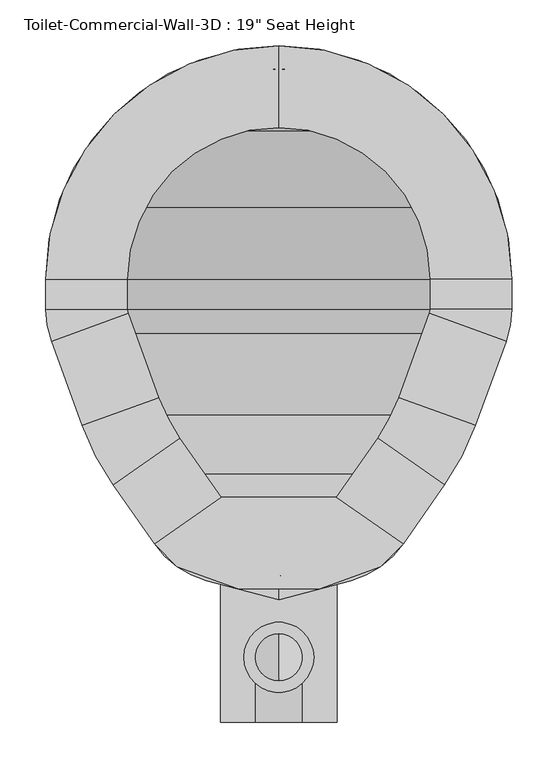
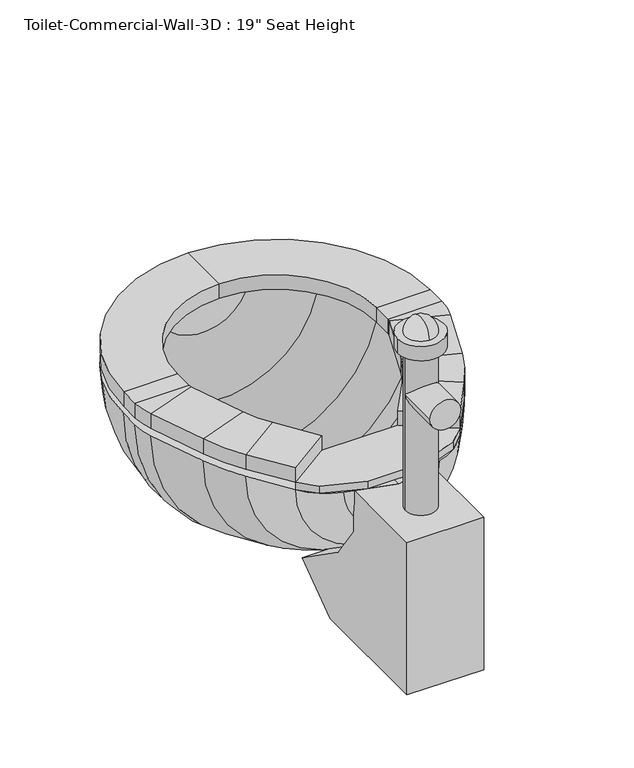
"""IFC4 building model written with IfcOpenShell, lengths in millimetres: flow terminal geometry."""

from ifc_helpers import new_model, si_unit, point, frame, frame_2d, origin, place, context, project, spatial, polyline, circle_curve, ellipse_curve, trimmed, segment, composite_curve, outline, extrude, source, transform, mapped, element, save
from ifc_brep_helpers import plane_surface, cylinder_surface, revolved_surface, advanced_brep


def flow_terminal_ce7e0ad2(model_context):
    return source(origin(), model_context, "Body", "SolidModel", [
        extrude(outline(polyline([(467.7541169, 397.4347495), (540.5767337, 346.4438043), (515.6262519, 321.4933226), (449.563909, 297.4485961), (360.2423986, 297.4485961), (294.1800557, 321.4933226), (269.229574, 346.4438043), (342.0521907, 397.4347495), (467.7541169, 397.4347495)])), frame((0.0, 0.0, 444.5), z_axis=(0.0, 0.0, 1.0), x_axis=(1.0, 0.0, 0.0)), (0.0, 0.0, 1.0), 12.7),
        advanced_brep(
        [(467.7541169, 397.4347495, 457.2), (540.5767337, 346.4438043, 457.2), (540.5767337, 346.4438043, 482.6), (467.7541169, 397.4347495, 482.6), (512.8583992, 461.8503403, 457.2), (585.6810159, 410.8593951, 457.2), (585.6810159, 410.8593951, 482.6), (512.8583992, 461.8503403, 482.6), (619.360053, 475.5562234, 457.2), (535.821379, 505.9618141, 457.2), (619.360053, 475.5562234, 482.6), (535.821379, 505.9618141, 482.6), (569.2372501, 597.7711654, 457.2), (652.7759241, 567.3655747, 457.2), (652.7759241, 567.3655747, 482.6), (569.2372501, 597.7711654, 482.6), (658.9031538, 602.1148212, 457.2), (570.0031538, 602.1148212, 457.2), (658.9031538, 602.1148212, 482.6), (570.0031538, 602.1148212, 482.6), (570.0031538, 635.0, 457.2), (658.9031538, 635.0, 457.2), (658.9031538, 635.0, 482.6), (570.0031538, 635.0, 482.6), (404.9031538, 889.0, 457.2), (404.9031538, 800.1, 457.2), (404.9031538, 889.0, 482.6), (404.9031538, 800.1, 482.6), (150.9031538, 635.0, 457.2), (239.8031538, 635.0, 457.2), (150.9031538, 635.0, 482.6), (239.8031538, 635.0, 482.6), (239.8031538, 602.1148212, 457.2), (150.9031538, 602.1148212, 457.2), (150.9031538, 602.1148212, 482.6), (239.8031538, 602.1148212, 482.6), (157.0303835, 567.3655747, 457.2), (240.5690575, 597.7711654, 457.2), (157.0303835, 567.3655747, 482.6), (240.5690575, 597.7711654, 482.6), (273.9849286, 505.9618141, 457.2), (190.4462546, 475.5562234, 457.2), (190.4462546, 475.5562234, 482.6), (273.9849286, 505.9618141, 482.6), (224.1252917, 410.8593951, 457.2), (296.9479084, 461.8503403, 457.2), (224.1252917, 410.8593951, 482.6), (296.9479084, 461.8503403, 482.6), (342.0521907, 397.4347495, 457.2), (342.0521907, 397.4347495, 482.6), (269.229574, 346.4438043, 482.6), (269.229574, 346.4438043, 457.2)],
        [
            (0, 1),
            (1, 2),
            (2, 3),
            (3, 0),
            (0, 4),
            (4, 5),
            (5, 1),
            (5, 6),
            (6, 2),
            (6, 7),
            (7, 3),
            (7, 4),
            (8, 5, circle_curve(frame((356.8099347, 571.1166514, 457.2), z_axis=(0.0, 0.0, -1.0), x_axis=(0.81915204428899, -0.5735764363510486, 0.0)), 279.4)),
            (4, 9, circle_curve(frame((356.8099347, 571.1166514, 457.2), z_axis=(0.0, 0.0, 1.0), x_axis=(0.81915204428899, -0.5735764363510486, 0.0)), 190.5)),
            (9, 8),
            (10, 6, circle_curve(frame((356.8099347, 571.1166514, 482.6), z_axis=(0.0, 0.0, -1.0), x_axis=(0.81915204428899, -0.5735764363510486, 0.0)), 279.4)),
            (8, 10),
            (11, 7, circle_curve(frame((356.8099347, 571.1166514, 482.6), z_axis=(0.0, 0.0, -1.0), x_axis=(0.81915204428899, -0.5735764363510486, 0.0)), 190.5)),
            (10, 11),
            (11, 9),
            (9, 12),
            (12, 13),
            (13, 8),
            (13, 14),
            (14, 10),
            (14, 15),
            (15, 11),
            (15, 12),
            (16, 13, circle_curve(frame((557.3031538, 602.1148212, 457.2), z_axis=(0.0, 0.0, -1.0), x_axis=(0.9396926207859057, -0.3420201433256761, 0.0)), 101.6)),
            (12, 17, circle_curve(frame((557.3031538, 602.1148212, 457.2), z_axis=(0.0, 0.0, 1.0), x_axis=(0.9396926207859057, -0.3420201433256761, 0.0)), 12.7)),
            (17, 16),
            (18, 14, circle_curve(frame((557.3031538, 602.1148212, 482.6), z_axis=(0.0, 0.0, -1.0), x_axis=(0.9396926207859057, -0.3420201433256761, 0.0)), 101.6)),
            (16, 18),
            (19, 15, circle_curve(frame((557.3031538, 602.1148212, 482.6), z_axis=(0.0, 0.0, -1.0), x_axis=(0.9396926207859057, -0.3420201433256761, 0.0)), 12.7)),
            (18, 19),
            (19, 17),
            (17, 20),
            (20, 21),
            (21, 16),
            (21, 22),
            (22, 18),
            (22, 23),
            (23, 19),
            (23, 20),
            (24, 21, circle_curve(frame((404.9031538, 635.0, 457.2), z_axis=(0.0, 0.0, -1.0), x_axis=(1.0, 0.0, 0.0)), 254.0)),
            (20, 25, circle_curve(frame((404.9031538, 635.0, 457.2), z_axis=(0.0, 0.0, 1.0), x_axis=(1.0, 0.0, 0.0)), 165.1)),
            (25, 24),
            (26, 22, circle_curve(frame((404.9031538, 635.0, 482.6), z_axis=(0.0, 0.0, -1.0), x_axis=(1.0, 0.0, 0.0)), 254.0)),
            (24, 26),
            (27, 23, circle_curve(frame((404.9031538, 635.0, 482.6), z_axis=(0.0, 0.0, -1.0), x_axis=(1.0, 0.0, 0.0)), 165.1)),
            (26, 27),
            (27, 25),
            (28, 24, circle_curve(frame((404.9031538, 635.0, 457.2), z_axis=(0.0, 0.0, -1.0), x_axis=(0.0, 1.0, 0.0)), 254.0)),
            (25, 29, circle_curve(frame((404.9031538, 635.0, 457.2), z_axis=(0.0, 0.0, 1.0), x_axis=(0.0, 1.0, 0.0)), 165.1)),
            (29, 28),
            (30, 26, circle_curve(frame((404.9031538, 635.0, 482.6), z_axis=(0.0, 0.0, -1.0), x_axis=(0.0, 1.0, 0.0)), 254.0)),
            (28, 30),
            (31, 27, circle_curve(frame((404.9031538, 635.0, 482.6), z_axis=(0.0, 0.0, -1.0), x_axis=(0.0, 1.0, 0.0)), 165.1)),
            (30, 31),
            (31, 29),
            (29, 32),
            (32, 33),
            (33, 28),
            (33, 34),
            (34, 30),
            (34, 35),
            (35, 31),
            (35, 32),
            (36, 33, circle_curve(frame((252.5031538, 602.1148212, 457.2), z_axis=(0.0, 0.0, -1.0), x_axis=(-1.0, 0.0, 0.0)), 101.6)),
            (32, 37, circle_curve(frame((252.5031538, 602.1148212, 457.2), z_axis=(0.0, 0.0, 1.0), x_axis=(-1.0, 0.0, 0.0)), 12.7)),
            (37, 36),
            (38, 34, circle_curve(frame((252.5031538, 602.1148212, 482.6), z_axis=(0.0, 0.0, -1.0), x_axis=(-1.0, 0.0, 0.0)), 101.6)),
            (36, 38),
            (39, 35, circle_curve(frame((252.5031538, 602.1148212, 482.6), z_axis=(0.0, 0.0, -1.0), x_axis=(-1.0, 0.0, 0.0)), 12.7)),
            (38, 39),
            (39, 37),
            (37, 40),
            (40, 41),
            (41, 36),
            (41, 42),
            (42, 38),
            (42, 43),
            (43, 39),
            (43, 40),
            (44, 41, circle_curve(frame((452.9963729, 571.1166514, 457.2), z_axis=(0.0, 0.0, -1.0), x_axis=(-0.939692620785909, -0.3420201433256672, 0.0)), 279.4)),
            (40, 45, circle_curve(frame((452.9963729, 571.1166514, 457.2), z_axis=(0.0, 0.0, 1.0), x_axis=(-0.939692620785909, -0.3420201433256672, 0.0)), 190.5)),
            (45, 44),
            (46, 42, circle_curve(frame((452.9963729, 571.1166514, 482.6), z_axis=(0.0, 0.0, -1.0), x_axis=(-0.939692620785909, -0.3420201433256672, 0.0)), 279.4)),
            (44, 46),
            (47, 43, circle_curve(frame((452.9963729, 571.1166514, 482.6), z_axis=(0.0, 0.0, -1.0), x_axis=(-0.939692620785909, -0.3420201433256672, 0.0)), 190.5)),
            (46, 47),
            (47, 45),
            (48, 49),
            (49, 50),
            (50, 51),
            (51, 48),
            (45, 48),
            (51, 44),
            (50, 46),
            (49, 47),
        ],
        [
            plane_surface(frame((540.5767337, 346.4438043, 541.2203184), z_axis=(-0.5735764363510388, -0.8191520442889969, 0.0), x_axis=(0.8191520442889969, -0.5735764363510388, 0.0))),
            plane_surface(frame((467.7541169, 397.4347495, 457.2), z_axis=(0.0, 0.0, -1.0000000000000002), x_axis=(0.5735764363510389, 0.8191520442889969, 0.0))),
            plane_surface(frame((540.5767337, 346.4438043, 457.2), z_axis=(0.8191520442889969, -0.5735764363510389, 0.0), x_axis=(0.5735764363510389, 0.8191520442889969, 0.0))),
            plane_surface(frame((540.5767337, 346.4438043, 482.6), z_axis=(0.0, 0.0, 1.0000000000000002), x_axis=(0.5735764363510389, 0.8191520442889969, 0.0))),
            plane_surface(frame((467.7541169, 397.4347495, 482.6), z_axis=(-0.8191520442889969, 0.5735764363510389, 0.0), x_axis=(0.5735764363510389, 0.8191520442889969, 0.0))),
            plane_surface(frame((356.8099347, 571.1166514, 457.2), z_axis=(0.0, 0.0, -1.0), x_axis=(0.81915204428899, -0.5735764363510486, 0.0))),
            cylinder_surface(frame((356.8099347, 571.1166514, 444.5), z_axis=(0.0, 0.0, 1.0), x_axis=(0.81915204428899, -0.5735764363510486, 0.0)), 279.4),
            plane_surface(frame((356.8099347, 571.1166514, 482.6), z_axis=(0.0, 0.0, 1.0), x_axis=(0.81915204428899, -0.5735764363510486, 0.0))),
            revolved_surface(polyline([(512.8583991370526, 461.8503402751253, 482.6), (512.8583991370526, 461.8503402751253, 457.2)]), (356.8099347, 571.1166514, 444.5), (0.0, 0.0, 1.0)),
            plane_surface(frame((535.821379, 505.9618141, 457.2), z_axis=(0.0, 0.0, -1.0), x_axis=(0.34202014332566444, 0.93969262078591, 0.0))),
            plane_surface(frame((619.360053, 475.5562234, 457.2), z_axis=(0.93969262078591, -0.34202014332566427, 0.0), x_axis=(0.34202014332566427, 0.93969262078591, 0.0))),
            plane_surface(frame((619.360053, 475.5562234, 482.6), z_axis=(0.0, 0.0, 1.0), x_axis=(0.34202014332566283, 0.9396926207859105, 0.0))),
            plane_surface(frame((535.821379, 505.9618141, 482.6), z_axis=(-0.93969262078591, 0.34202014332566444, 0.0), x_axis=(0.34202014332566444, 0.93969262078591, 0.0))),
            plane_surface(frame((557.3031538, 602.1148212, 457.2), z_axis=(0.0, 0.0, -1.0000000000000002), x_axis=(0.9396926207859058, -0.34202014332567615, 0.0))),
            cylinder_surface(frame((557.3031538, 602.1148212, 444.5), z_axis=(0.0, 0.0, 1.0), x_axis=(0.9396926207859057, -0.3420201433256761, 0.0)), 101.6),
            plane_surface(frame((557.3031538, 602.1148212, 482.6), z_axis=(0.0, 0.0, 1.0000000000000002), x_axis=(0.9396926207859058, -0.34202014332567615, 0.0))),
            revolved_surface(polyline([(569.237250083981, 597.7711653797639, 482.6), (569.237250083981, 597.7711653797639, 457.2)]), (557.3031538, 602.1148212, 444.5), (0.0, 0.0, 1.0)),
            plane_surface(frame((570.0031538, 602.1148212, 457.2), z_axis=(0.0, 0.0, -1.0), x_axis=(0.0, 1.0, 0.0))),
            plane_surface(frame((658.9031538, 602.1148212, 457.2), z_axis=(1.0, 0.0, 0.0), x_axis=(0.0, 1.0, 0.0))),
            plane_surface(frame((658.9031538, 602.1148212, 482.6), z_axis=(0.0, 0.0, 1.0), x_axis=(0.0, 1.0, 0.0))),
            plane_surface(frame((570.0031538, 602.1148212, 482.6), z_axis=(-1.0, 0.0, 0.0), x_axis=(0.0, 1.0, 0.0))),
            plane_surface(frame((404.9031538, 635.0, 457.2), z_axis=(0.0, 0.0, -1.0), x_axis=(1.0, 0.0, 0.0))),
            cylinder_surface(frame((404.9031538, 635.0, 444.5), z_axis=(0.0, 0.0, 1.0), x_axis=(1.0, 0.0, 0.0)), 254.0),
            plane_surface(frame((404.9031538, 635.0, 482.6), z_axis=(0.0, 0.0, 1.0), x_axis=(1.0, 0.0, 0.0))),
            revolved_surface(polyline([(570.0031538, 635.0, 482.6), (570.0031538, 635.0, 457.2)]), (404.9031538, 635.0, 444.5), (0.0, 0.0, 1.0)),
            plane_surface(frame((404.9031538, 635.0, 457.2), z_axis=(0.0, 0.0, -1.0), x_axis=(0.0, 1.0, 0.0))),
            cylinder_surface(frame((404.9031538, 635.0, 444.5), z_axis=(0.0, 0.0, 1.0), x_axis=(0.0, 1.0, 0.0)), 254.0),
            plane_surface(frame((404.9031538, 635.0, 482.6), z_axis=(0.0, 0.0, 1.0), x_axis=(0.0, 1.0, 0.0))),
            revolved_surface(polyline([(404.9031538, 800.1, 482.6), (404.9031538, 800.1, 457.2)]), (404.9031538, 635.0, 444.5), (0.0, 0.0, 1.0)),
            plane_surface(frame((239.8031538, 635.0, 457.2), z_axis=(0.0, 0.0, -1.0), x_axis=(0.0, -1.0, 0.0))),
            plane_surface(frame((150.9031538, 635.0, 457.2), z_axis=(-1.0, 0.0, 0.0), x_axis=(0.0, -1.0, 0.0))),
            plane_surface(frame((150.9031538, 635.0, 482.6), z_axis=(0.0, 0.0, 1.0), x_axis=(0.0, -1.0, 0.0))),
            plane_surface(frame((239.8031538, 635.0, 482.6), z_axis=(1.0, 0.0, 0.0), x_axis=(0.0, -1.0, 0.0))),
            plane_surface(frame((252.5031538, 602.1148212, 457.2), z_axis=(0.0, 0.0, -1.0), x_axis=(-1.0, 0.0, 0.0))),
            cylinder_surface(frame((252.5031538, 602.1148212, 444.5), z_axis=(0.0, 0.0, 1.0), x_axis=(-1.0, 0.0, 0.0)), 101.6),
            plane_surface(frame((252.5031538, 602.1148212, 482.6), z_axis=(0.0, 0.0, 1.0), x_axis=(-1.0, 0.0, 0.0))),
            revolved_surface(polyline([(239.80315380000002, 602.1148212, 482.6), (239.80315380000002, 602.1148212, 457.2)]), (252.5031538, 602.1148212, 444.5), (0.0, 0.0, 1.0)),
            plane_surface(frame((240.5690575, 597.7711654, 457.2), z_axis=(0.0, 0.0, -1.0000000000000002), x_axis=(0.34202014332565506, -0.9396926207859134, 0.0))),
            plane_surface(frame((157.0303835, 567.3655747, 457.2), z_axis=(-0.9396926207859133, -0.3420201433256552, 0.0), x_axis=(0.3420201433256552, -0.9396926207859133, 0.0))),
            plane_surface(frame((157.0303835, 567.3655747, 482.6), z_axis=(0.0, 0.0, 1.0), x_axis=(0.3420201433256552, -0.9396926207859133, 0.0))),
            plane_surface(frame((240.5690575, 597.7711654, 482.6), z_axis=(0.9396926207859133, 0.34202014332565533, 0.0), x_axis=(0.34202014332565533, -0.9396926207859133, 0.0))),
            plane_surface(frame((452.9963729, 571.1166514, 457.2), z_axis=(0.0, 0.0, -1.0), x_axis=(-0.939692620785909, -0.3420201433256672, 0.0))),
            cylinder_surface(frame((452.9963729, 571.1166514, 444.5), z_axis=(0.0, 0.0, 1.0), x_axis=(-0.939692620785909, -0.3420201433256672, 0.0)), 279.4),
            plane_surface(frame((452.9963729, 571.1166514, 482.6), z_axis=(0.0, 0.0, 1.0), x_axis=(-0.939692620785909, -0.3420201433256672, 0.0))),
            revolved_surface(polyline([(273.98492864028435, 505.96181409646044, 482.6), (273.98492864028435, 505.96181409646044, 457.2)]), (452.9963729, 571.1166514, 444.5), (0.0, 0.0, 1.0)),
            plane_surface(frame((269.229574, 346.4438043, 347.7796816), z_axis=(0.5735764363510503, -0.8191520442889889, 0.0), x_axis=(0.8191520442889889, 0.5735764363510503, 0.0))),
            plane_surface(frame((296.9479084, 461.8503403, 457.2), z_axis=(0.0, 0.0, -1.0000000000000002), x_axis=(0.5735764363510504, -0.8191520442889889, 0.0))),
            plane_surface(frame((224.1252917, 410.8593951, 457.2), z_axis=(-0.819152044288989, -0.57357643635105, 0.0), x_axis=(0.57357643635105, -0.819152044288989, 0.0))),
            plane_surface(frame((224.1252917, 410.8593951, 482.6), z_axis=(0.0, 0.0, 1.0), x_axis=(0.57357643635105, -0.819152044288989, 0.0))),
            plane_surface(frame((296.9479084, 461.8503403, 482.6), z_axis=(0.8191520442889891, 0.57357643635105, 0.0), x_axis=(0.57357643635105, -0.8191520442889891, 0.0))),
        ],
        [
            (0, [[1, 2, 3, 4]]),
            (1, [[-1, 5, 6, 7]]),
            (2, [[-2, -7, 8, 9]]),
            (3, [[-3, -9, 10, 11]]),
            (4, [[-4, -11, 12, -5]]),
            (5, [[13, -6, 14, 15]]),
            (6, [[16, -8, -13, 17]]),
            (7, [[18, -10, -16, 19]]),
            (8, [[-14, -12, -18, 20]]),
            (9, [[-15, 21, 22, 23]]),
            (10, [[-17, -23, 24, 25]]),
            (11, [[-19, -25, 26, 27]]),
            (12, [[-20, -27, 28, -21]]),
            (13, [[29, -22, 30, 31]]),
            (14, [[32, -24, -29, 33]]),
            (15, [[34, -26, -32, 35]]),
            (16, [[-30, -28, -34, 36]]),
            (17, [[-31, 37, 38, 39]]),
            (18, [[-33, -39, 40, 41]]),
            (19, [[-35, -41, 42, 43]]),
            (20, [[-36, -43, 44, -37]]),
            (21, [[45, -38, 46, 47]]),
            (22, [[48, -40, -45, 49]]),
            (23, [[50, -42, -48, 51]]),
            (24, [[-46, -44, -50, 52]]),
            (25, [[53, -47, 54, 55]]),
            (26, [[56, -49, -53, 57]]),
            (27, [[58, -51, -56, 59]]),
            (28, [[-54, -52, -58, 60]]),
            (29, [[-55, 61, 62, 63]]),
            (30, [[-57, -63, 64, 65]]),
            (31, [[-59, -65, 66, 67]]),
            (32, [[-60, -67, 68, -61]]),
            (33, [[69, -62, 70, 71]]),
            (34, [[72, -64, -69, 73]]),
            (35, [[74, -66, -72, 75]]),
            (36, [[-70, -68, -74, 76]]),
            (37, [[-71, 77, 78, 79]]),
            (38, [[-73, -79, 80, 81]]),
            (39, [[-75, -81, 82, 83]]),
            (40, [[-76, -83, 84, -77]]),
            (41, [[85, -78, 86, 87]]),
            (42, [[88, -80, -85, 89]]),
            (43, [[90, -82, -88, 91]]),
            (44, [[-86, -84, -90, 92]]),
            (45, [[93, 94, 95, 96]]),
            (46, [[-87, 97, -96, 98]]),
            (47, [[-89, -98, -95, 99]]),
            (48, [[-91, -99, -94, 100]]),
            (49, [[-92, -100, -93, -97]]),
        ],
    ),
        advanced_brep(
        [(491.7762702, 873.6819257, 444.5), (404.9031538, 889.0, 444.5), (404.9031538, 863.6, 444.5), (483.0889586, 849.8137331, 444.5), (566.547764, 796.6446102, 444.5), (619.7168869, 713.1858048, 444.5), (633.5031538, 635.0, 444.5), (633.5031538, 602.1148212, 444.5), (628.9077315, 576.0528863, 444.5), (596.6355667, 487.3858422, 444.5), (562.9565296, 422.6890139, 444.5), (525.0728964, 368.5855786, 444.5), (468.1430637, 328.7228806, 444.5), (404.9031538, 311.7777978, 444.5), (404.9031538, 285.4817829, 444.5), (483.6469009, 306.5811063, 444.5), (540.5767337, 346.4438043, 444.5), (585.6810159, 410.8593951, 444.5), (619.360053, 475.5562234, 444.5), (652.7759241, 567.3655747, 444.5), (658.9031538, 602.1148212, 444.5), (658.9031538, 635.0, 444.5), (643.5850795, 721.8731164, 444.5), (584.5082762, 814.6051224, 444.5), (318.0300374, 873.6819257, 444.5), (225.2980314, 814.6051224, 444.5), (166.2212281, 721.8731164, 444.5), (150.9031538, 635.0, 444.5), (150.9031538, 602.1148212, 444.5), (157.0303835, 567.3655747, 444.5), (190.4462546, 475.5562234, 444.5), (224.1252917, 410.8593951, 444.5), (269.229574, 346.4438043, 444.5), (326.1594067, 306.5811063, 444.5), (341.663244, 328.7228806, 444.5), (284.7334112, 368.5855786, 444.5), (246.849778, 422.6890139, 444.5), (213.1707409, 487.3858422, 444.5), (180.8985761, 576.0528863, 444.5), (176.3031538, 602.1148212, 444.5), (176.3031538, 635.0, 444.5), (190.0894207, 713.1858048, 444.5), (243.2585436, 796.6446102, 444.5), (326.7173491, 849.8137331, 444.5)],
        [
            (0, 1, circle_curve(frame((404.9031538, 635.0, 444.5), z_axis=(0.0, 0.0, 1.0), x_axis=(1.0, 0.0, 0.0)), 254.0)),
            (1, 2),
            (2, 3, circle_curve(frame((404.9031538, 635.0, 444.5), z_axis=(0.0, 0.0, -1.0), x_axis=(1.0, 0.0, 0.0)), 228.6)),
            (3, 4, circle_curve(frame((404.9031538, 635.0, 444.5), z_axis=(0.0, 0.0, -1.0), x_axis=(1.0, 0.0, 0.0)), 228.6)),
            (4, 5, circle_curve(frame((404.9031538, 635.0, 444.5), z_axis=(0.0, 0.0, -1.0), x_axis=(1.0, 0.0, 0.0)), 228.6)),
            (5, 6, circle_curve(frame((404.9031538, 635.0, 444.5), z_axis=(0.0, 0.0, -1.0), x_axis=(1.0, 0.0, 0.0)), 228.6)),
            (6, 7),
            (7, 8, circle_curve(frame((557.3031538, 602.1148212, 444.5), z_axis=(0.0, 0.0, -1.0), x_axis=(1.0, 0.0, 0.0)), 76.2)),
            (8, 9),
            (9, 10, circle_curve(frame((334.0854485, 582.9462703, 444.5), z_axis=(0.0, 0.0, -1.0), x_axis=(1.0, 0.0, 0.0)), 279.4)),
            (10, 11),
            (11, 12, circle_curve(frame((441.8470487, 426.8609446, 444.5), z_axis=(0.0, 0.0, -1.0), x_axis=(1.0, 0.0, 0.0)), 101.6)),
            (12, 13),
            (13, 14),
            (14, 15),
            (15, 16, circle_curve(frame((457.350886, 404.7191703, 444.5), z_axis=(0.0, 0.0, 1.0), x_axis=(1.0, 0.0, 0.0)), 101.6)),
            (16, 17),
            (17, 18, circle_curve(frame((356.8099347, 571.1166514, 444.5), z_axis=(0.0, 0.0, 1.0), x_axis=(1.0, 0.0, 0.0)), 279.4)),
            (18, 19),
            (19, 20, circle_curve(frame((557.3031538, 602.1148212, 444.5), z_axis=(0.0, 0.0, 1.0), x_axis=(1.0, 0.0, 0.0)), 101.6)),
            (20, 21),
            (21, 22, circle_curve(frame((404.9031538, 635.0, 444.5), z_axis=(0.0, 0.0, 1.0), x_axis=(1.0, 0.0, 0.0)), 254.0)),
            (22, 23, circle_curve(frame((404.9031538, 635.0, 444.5), z_axis=(0.0, 0.0, 1.0), x_axis=(1.0, 0.0, 0.0)), 254.0)),
            (23, 0, circle_curve(frame((404.9031538, 635.0, 444.5), z_axis=(0.0, 0.0, 1.0), x_axis=(1.0, 0.0, 0.0)), 254.0)),
            (24, 25, circle_curve(frame((404.9031538, 635.0, 444.5), z_axis=(0.0, 0.0, 1.0), x_axis=(-1.0, 0.0, 0.0)), 254.0)),
            (25, 26, circle_curve(frame((404.9031538, 635.0, 444.5), z_axis=(0.0, 0.0, 1.0), x_axis=(-1.0, 0.0, 0.0)), 254.0)),
            (26, 27, circle_curve(frame((404.9031538, 635.0, 444.5), z_axis=(0.0, 0.0, 1.0), x_axis=(-1.0, 0.0, 0.0)), 254.0)),
            (27, 28),
            (28, 29, circle_curve(frame((252.5031538, 602.1148212, 444.5), z_axis=(0.0, 0.0, 1.0), x_axis=(-1.0, 0.0, 0.0)), 101.6)),
            (29, 30),
            (30, 31, circle_curve(frame((452.9963729, 571.1166514, 444.5), z_axis=(0.0, 0.0, 1.0), x_axis=(-1.0, 0.0, 0.0)), 279.4)),
            (31, 32),
            (32, 33, circle_curve(frame((352.4554217, 404.7191703, 444.5), z_axis=(0.0, 0.0, 1.0), x_axis=(-1.0, 0.0, 0.0)), 101.6)),
            (33, 14),
            (13, 34),
            (34, 35, circle_curve(frame((367.9592589, 426.8609446, 444.5), z_axis=(0.0, 0.0, -1.0), x_axis=(-1.0, 0.0, 0.0)), 101.6)),
            (35, 36),
            (36, 37, circle_curve(frame((475.7208592, 582.9462703, 444.5), z_axis=(0.0, 0.0, -1.0), x_axis=(-1.0, 0.0, 0.0)), 279.4)),
            (37, 38),
            (38, 39, circle_curve(frame((252.5031538, 602.1148212, 444.5), z_axis=(0.0, 0.0, -1.0), x_axis=(-1.0, 0.0, 0.0)), 76.2)),
            (39, 40),
            (40, 41, circle_curve(frame((404.9031538, 635.0, 444.5), z_axis=(0.0, 0.0, -1.0), x_axis=(-1.0, 0.0, 0.0)), 228.6)),
            (41, 42, circle_curve(frame((404.9031538, 635.0, 444.5), z_axis=(0.0, 0.0, -1.0), x_axis=(-1.0, 0.0, 0.0)), 228.6)),
            (42, 43, circle_curve(frame((404.9031538, 635.0, 444.5), z_axis=(0.0, 0.0, -1.0), x_axis=(-1.0, 0.0, 0.0)), 228.6)),
            (43, 2, circle_curve(frame((404.9031538, 635.0, 444.5), z_axis=(0.0, 0.0, -1.0), x_axis=(-1.0, 0.0, 0.0)), 228.6)),
            (1, 24, circle_curve(frame((404.9031538, 635.0, 444.5), z_axis=(0.0, 0.0, 1.0), x_axis=(-1.0, 0.0, 0.0)), 254.0)),
            (0, 24, circle_curve(frame((404.9031538, 873.6819257, 444.5), z_axis=(0.0, 1.0, 0.0), x_axis=(1.0, 0.0, 0.0)), 86.8731164)),
            (43, 3, circle_curve(frame((404.9031538, 849.8137331, 444.5), z_axis=(0.0, -1.0, 0.0), x_axis=(1.0, 0.0, 0.0)), 78.1858048)),
            (42, 4, circle_curve(frame((404.9031538, 796.6446102, 444.5), z_axis=(0.0, -1.0, 0.0), x_axis=(1.0, 0.0, 0.0)), 161.6446102)),
            (41, 5, circle_curve(frame((404.9031538, 713.1858048, 444.5), z_axis=(0.0, -1.0, 0.0), x_axis=(1.0, 0.0, 0.0)), 214.8137331)),
            (40, 6, circle_curve(frame((404.9031538, 635.0, 444.5), z_axis=(0.0, -1.0, 0.0), x_axis=(1.0, 0.0, 0.0)), 228.6)),
            (39, 7, circle_curve(frame((404.9031538, 602.1148212, 444.5), z_axis=(0.0, -1.0, 0.0), x_axis=(1.0, 0.0, 0.0)), 228.6)),
            (38, 8, circle_curve(frame((404.9031538, 576.0528863, 444.5), z_axis=(0.0, -1.0, 0.0), x_axis=(1.0, 0.0, 0.0)), 224.0045777)),
            (37, 9, circle_curve(frame((404.9031538, 487.3858422, 444.5), z_axis=(0.0, -1.0, 0.0), x_axis=(1.0, 0.0, 0.0)), 191.7324129)),
            (36, 10, circle_curve(frame((404.9031538, 422.6890139, 444.5), z_axis=(0.0, -1.0, 0.0), x_axis=(1.0, 0.0, 0.0)), 158.0533758)),
            (35, 11, circle_curve(frame((404.9031538, 368.5855786, 444.5), z_axis=(0.0, -1.0, 0.0), x_axis=(1.0, 0.0, 0.0)), 120.1697426)),
            (34, 12, circle_curve(frame((404.9031538, 328.7228806, 444.5), z_axis=(0.0, -1.0, 0.0), x_axis=(1.0, 0.0, 0.0)), 63.2399099)),
            (33, 15, circle_curve(frame((404.9031538, 306.5811063, 444.5), z_axis=(0.0, -1.0, 0.0), x_axis=(1.0, 0.0, 0.0)), 78.7437471)),
            (32, 16, circle_curve(frame((404.9031538, 346.4438043, 444.5), z_axis=(0.0, -1.0, 0.0), x_axis=(1.0, 0.0, 0.0)), 135.6735798)),
            (31, 17, circle_curve(frame((404.9031538, 410.8593951, 444.5), z_axis=(0.0, -1.0, 0.0), x_axis=(1.0, 0.0, 0.0)), 180.7778621)),
            (30, 18, circle_curve(frame((404.9031538, 475.5562234, 444.5), z_axis=(0.0, -1.0, 0.0), x_axis=(1.0, 0.0, 0.0)), 214.4568992)),
            (29, 19, circle_curve(frame((404.9031538, 567.3655747, 444.5), z_axis=(0.0, -1.0, 0.0), x_axis=(1.0, 0.0, 0.0)), 247.8727703)),
            (28, 20, circle_curve(frame((404.9031538, 602.1148212, 444.5), z_axis=(0.0, -1.0, 0.0), x_axis=(1.0, 0.0, 0.0)), 254.0)),
            (27, 21, circle_curve(frame((404.9031538, 635.0, 444.5), z_axis=(0.0, -1.0, 0.0), x_axis=(1.0, 0.0, 0.0)), 254.0)),
            (26, 22, circle_curve(frame((404.9031538, 721.8731164, 444.5), z_axis=(0.0, -1.0, 0.0), x_axis=(1.0, 0.0, 0.0)), 238.6819257)),
            (25, 23, circle_curve(frame((404.9031538, 814.6051224, 444.5), z_axis=(0.0, -1.0, 0.0), x_axis=(1.0, 0.0, 0.0)), 179.6051224)),
        ],
        [
            plane_surface(frame((404.9031538, 994.2102448, 444.5), z_axis=(0.0, 0.0, 1.0), x_axis=(1.0, 0.0, 0.0))),
            plane_surface(frame((404.9031538, 994.2102448, 444.5), z_axis=(0.0, 0.0, 1.0), x_axis=(-1.0, 0.0, 0.0))),
            revolved_surface(trimmed(ellipse_curve(frame((404.9031538, 635.0, 444.5), z_axis=(0.0, 0.0, 1.0), x_axis=(1.0, 0.0, 0.0)), 254.0, 254.0), [point((491.7762702, 873.6819257, 444.5))], [point((404.9031538, 889.0, 444.5))], True, "CARTESIAN"), (404.9031538, 994.2102448, 444.5), (0.0, 1.0, 0.0)),
            revolved_surface(trimmed(ellipse_curve(frame((404.9031538, 635.0, 444.5), z_axis=(0.0, 0.0, -1.0), x_axis=(1.0, 0.0, 0.0)), 228.6, 228.6), [point((404.9031538, 863.6, 444.5))], [point((483.0889586, 849.8137331, 444.5))], True, "CARTESIAN"), (404.9031538, 994.2102448, 444.5), (0.0, 1.0, 0.0)),
            revolved_surface(trimmed(ellipse_curve(frame((404.9031538, 635.0, 444.5), z_axis=(0.0, 0.0, -1.0), x_axis=(1.0, 0.0, 0.0)), 228.6, 228.6), [point((483.0889586, 849.8137331, 444.5))], [point((566.547764, 796.6446102, 444.5))], True, "CARTESIAN"), (404.9031538, 994.2102448, 444.5), (0.0, 1.0, 0.0)),
            revolved_surface(trimmed(ellipse_curve(frame((404.9031538, 635.0, 444.5), z_axis=(0.0, 0.0, -1.0), x_axis=(1.0, 0.0, 0.0)), 228.6, 228.6), [point((566.547764, 796.6446102, 444.5))], [point((619.7168869, 713.1858048, 444.5))], True, "CARTESIAN"), (404.9031538, 994.2102448, 444.5), (0.0, 1.0, 0.0)),
            revolved_surface(trimmed(ellipse_curve(frame((404.9031538, 635.0, 444.5), z_axis=(0.0, 0.0, -1.0), x_axis=(1.0, 0.0, 0.0)), 228.6, 228.6), [point((619.7168869, 713.1858048, 444.5))], [point((633.5031538, 635.0, 444.5))], True, "CARTESIAN"), (404.9031538, 994.2102448, 444.5), (0.0, 1.0, 0.0)),
            revolved_surface(polyline([(633.5031538, 635.0, 444.5), (633.5031538, 602.1148212, 444.5)]), (404.9031538, 994.2102448, 444.5), (0.0, 1.0, 0.0)),
            revolved_surface(trimmed(ellipse_curve(frame((557.3031538, 602.1148212, 444.5), z_axis=(0.0, 0.0, -1.0), x_axis=(1.0, 0.0, 0.0)), 76.2, 76.2), [point((633.5031538, 602.1148212, 444.5))], [point((628.9077315, 576.0528863, 444.5))], True, "CARTESIAN"), (404.9031538, 994.2102448, 444.5), (0.0, 1.0, 0.0)),
            revolved_surface(polyline([(628.9077315, 576.0528863, 444.5), (596.6355667, 487.3858422, 444.5)]), (404.9031538, 994.2102448, 444.5), (0.0, 1.0, 0.0)),
            revolved_surface(trimmed(ellipse_curve(frame((334.0854485, 582.9462703, 444.5), z_axis=(0.0, 0.0, -1.0), x_axis=(1.0, 0.0, 0.0)), 279.4, 279.4), [point((596.6355667, 487.3858422, 444.5))], [point((562.9565296, 422.6890139, 444.5))], True, "CARTESIAN"), (404.9031538, 994.2102448, 444.5), (0.0, 1.0, 0.0)),
            revolved_surface(polyline([(562.9565296, 422.6890139, 444.5), (525.0728964, 368.5855786, 444.5)]), (404.9031538, 994.2102448, 444.5), (0.0, 1.0, 0.0)),
            revolved_surface(trimmed(ellipse_curve(frame((441.8470487, 426.8609446, 444.5), z_axis=(0.0, 0.0, -1.0), x_axis=(1.0, 0.0, 0.0)), 101.6, 101.6), [point((525.0728964, 368.5855786, 444.5))], [point((468.1430637, 328.7228806, 444.5))], True, "CARTESIAN"), (404.9031538, 994.2102448, 444.5), (0.0, 1.0, 0.0)),
            revolved_surface(polyline([(468.1430637, 328.7228806, 444.5), (404.9031538, 311.7777978, 444.5)]), (404.9031538, 994.2102448, 444.5), (0.0, 1.0, 0.0)),
            revolved_surface(polyline([(404.9031538, 285.4817829, 444.5), (483.6469009, 306.5811063, 444.5)]), (404.9031538, 994.2102448, 444.5), (0.0, 1.0, 0.0)),
            revolved_surface(trimmed(ellipse_curve(frame((457.350886, 404.7191703, 444.5), z_axis=(0.0, 0.0, 1.0), x_axis=(1.0, 0.0, 0.0)), 101.6, 101.6), [point((483.6469009, 306.5811063, 444.5))], [point((540.5767337, 346.4438043, 444.5))], True, "CARTESIAN"), (404.9031538, 994.2102448, 444.5), (0.0, 1.0, 0.0)),
            revolved_surface(polyline([(540.5767337, 346.4438043, 444.5), (585.6810159, 410.8593951, 444.5)]), (404.9031538, 994.2102448, 444.5), (0.0, 1.0, 0.0)),
            revolved_surface(trimmed(ellipse_curve(frame((356.8099347, 571.1166514, 444.5), z_axis=(0.0, 0.0, 1.0), x_axis=(1.0, 0.0, 0.0)), 279.4, 279.4), [point((585.6810159, 410.8593951, 444.5))], [point((619.360053, 475.5562234, 444.5))], True, "CARTESIAN"), (404.9031538, 994.2102448, 444.5), (0.0, 1.0, 0.0)),
            revolved_surface(polyline([(619.360053, 475.5562234, 444.5), (652.7759241, 567.3655747, 444.5)]), (404.9031538, 994.2102448, 444.5), (0.0, 1.0, 0.0)),
            revolved_surface(trimmed(ellipse_curve(frame((557.3031538, 602.1148212, 444.5), z_axis=(0.0, 0.0, 1.0), x_axis=(1.0, 0.0, 0.0)), 101.6, 101.6), [point((652.7759241, 567.3655747, 444.5))], [point((658.9031538, 602.1148212, 444.5))], True, "CARTESIAN"), (404.9031538, 994.2102448, 444.5), (0.0, 1.0, 0.0)),
            cylinder_surface(frame((404.9031538, 994.2102448, 444.5), z_axis=(0.0, 1.0, 0.0), x_axis=(1.0, 0.0, 0.0)), 254.0),
            revolved_surface(trimmed(ellipse_curve(frame((404.9031538, 635.0, 444.5), z_axis=(0.0, 0.0, 1.0), x_axis=(1.0, 0.0, 0.0)), 254.0, 254.0), [point((658.9031538, 635.0, 444.5))], [point((643.5850795, 721.8731164, 444.5))], True, "CARTESIAN"), (404.9031538, 994.2102448, 444.5), (0.0, 1.0, 0.0)),
            revolved_surface(trimmed(ellipse_curve(frame((404.9031538, 635.0, 444.5), z_axis=(0.0, 0.0, 1.0), x_axis=(1.0, 0.0, 0.0)), 254.0, 254.0), [point((643.5850795, 721.8731164, 444.5))], [point((584.5082762, 814.6051224, 444.5))], True, "CARTESIAN"), (404.9031538, 994.2102448, 444.5), (0.0, 1.0, 0.0)),
            revolved_surface(trimmed(ellipse_curve(frame((404.9031538, 635.0, 444.5), z_axis=(0.0, 0.0, 1.0), x_axis=(1.0, 0.0, 0.0)), 254.0, 254.0), [point((584.5082762, 814.6051224, 444.5))], [point((491.7762702, 873.6819257, 444.5))], True, "CARTESIAN"), (404.9031538, 994.2102448, 444.5), (0.0, 1.0, 0.0)),
        ],
        [
            (0, [[1, 2, 3, 4, 5, 6, 7, 8, 9, 10, 11, 12, 13, 14, 15, 16, 17, 18, 19, 20, 21, 22, 23, 24]]),
            (1, [[25, 26, 27, 28, 29, 30, 31, 32, 33, 34, -14, 35, 36, 37, 38, 39, 40, 41, 42, 43, 44, 45, -2, 46]]),
            (2, [[-1, 47, -46]]),
            (3, [[48, -3, -45]]),
            (4, [[49, -4, -48, -44]]),
            (5, [[50, -5, -49, -43]]),
            (6, [[51, -6, -50, -42]]),
            (7, [[52, -7, -51, -41]]),
            (8, [[53, -8, -52, -40]]),
            (9, [[54, -9, -53, -39]]),
            (10, [[55, -10, -54, -38]]),
            (11, [[56, -11, -55, -37]]),
            (12, [[57, -12, -56, -36]]),
            (13, [[-13, -57, -35]]),
            (14, [[58, -15, -34]]),
            (15, [[59, -16, -58, -33]]),
            (16, [[60, -17, -59, -32]]),
            (17, [[61, -18, -60, -31]]),
            (18, [[62, -19, -61, -30]]),
            (19, [[63, -20, -62, -29]]),
            (20, [[64, -21, -63, -28]]),
            (21, [[65, -22, -64, -27]]),
            (22, [[66, -23, -65, -26]]),
            (23, [[-47, -24, -66, -25]]),
        ],
    ),
        advanced_brep(
        [(404.9031538, 197.3176912, 749.3), (404.9031538, 248.5528563, 749.3), (404.9031538, 222.9352737, 774.9175826), (404.9031538, 222.9352737, 749.3)],
        [
            (0, 1, circle_curve(frame((404.9031538, 222.9352737, 749.3), z_axis=(0.0, 0.0, 1.0), x_axis=(0.0, 1.0, 0.0)), 25.6175826)),
            (1, 2, circle_curve(frame((404.9031538, 222.9352737, 749.3), z_axis=(1.0, 0.0, 0.0), x_axis=(0.0, -1.0, 0.0)), 25.6175826)),
            (2, 0, circle_curve(frame((404.9031538, 222.9352737, 749.3), z_axis=(1.0, 0.0, 0.0), x_axis=(0.0, 1.0, 0.0)), 25.6175826)),
            (1, 0, circle_curve(frame((404.9031538, 222.9352737, 749.3), z_axis=(0.0, 0.0, 1.0), x_axis=(0.0, 1.0, 0.0)), 25.6175826)),
            (3, 1),
            (0, 3),
        ],
        [
            revolved_surface(trimmed(ellipse_curve(frame((404.9031538, 222.9352737, 749.3), z_axis=(-1.0, 0.0, 0.0), x_axis=(0.0, -1.0, 0.0)), 25.6175826, 25.6175826), [point((404.9031538, 222.9352737, 774.9175826))], [point((404.9031538, 248.5528563, 749.3))], True, "CARTESIAN"), (404.9031538, 222.9352737, 813.9277273), (0.0, 0.0, -1.0)),
            plane_surface(frame((404.9031538, 222.9352737, 749.3), z_axis=(0.0, 0.0, -1.0), x_axis=(0.0, 1.0, 0.0))),
        ],
        [
            (0, [[1, 2, 3]]),
            (0, [[4, -3, -2]]),
            (1, [[5, -1, 6]]),
            (1, [[-6, -4, -5]]),
        ],
    ),
        extrude(outline(composite_curve([segment(trimmed(circle_curve(frame_2d((404.9031538, 222.9352737)), 38.1), [point((366.8031538, 222.9352737))], [point((443.0031538, 222.9352737))], False, "CARTESIAN"), True, "CONTINUOUS"), segment(trimmed(circle_curve(frame_2d((404.9031538, 222.9352737)), 38.1), [point((443.0031538, 222.9352737))], [point((366.8031538, 222.9352737))], False, "CARTESIAN"), True, "CONTINUOUS")], self_intersect=False)), frame((0.0, 0.0, 723.9), z_axis=(0.0, 0.0, 1.0), x_axis=(1.0, 0.0, 0.0)), (0.0, 0.0, 1.0), 25.4),
        extrude(outline(composite_curve([segment(trimmed(circle_curve(frame_2d((645.8113641, 404.9031538)), 25.4), [point((645.8113641, 379.5031538))], [point((645.8113641, 430.3031538))], False, "CARTESIAN"), True, "CONTINUOUS"), segment(trimmed(circle_curve(frame_2d((645.8113641, 404.9031538)), 25.4), [point((645.8113641, 430.3031538))], [point((645.8113641, 379.5031538))], False, "CARTESIAN"), True, "CONTINUOUS")], self_intersect=False)), frame((0.0, 152.4, 0.0), z_axis=(0.0, 1.0, 0.0), x_axis=(0.0, 0.0, 1.0)), (0.0, 0.0, 1.0), 70.64375),
        extrude(outline(composite_curve([segment(trimmed(circle_curve(frame_2d((404.9031538, 222.9352737)), 25.4), [point((379.5031538, 222.9352737))], [point((430.3031538, 222.9352737))], False, "CARTESIAN"), True, "CONTINUOUS"), segment(trimmed(circle_curve(frame_2d((404.9031538, 222.9352737)), 25.4), [point((430.3031538, 222.9352737))], [point((379.5031538, 222.9352737))], False, "CARTESIAN"), True, "CONTINUOUS")], self_intersect=False)), frame((0.0, 0.0, 444.5), z_axis=(0.0, 0.0, 1.0), x_axis=(1.0, 0.0, 0.0)), (0.0, 0.0, 1.0), 279.4),
        extrude(outline(polyline([(305.2037941, 444.5), (305.2037941, 370.896452), (348.9103185, 308.4770663), (452.9426282, 235.6328588), (372.4454017, 177.8), (152.4, 177.8), (152.4, 444.5), (305.2037941, 444.5)])), frame((341.4031538, 0.0, 0.0), z_axis=(1.0, 0.0, 0.0), x_axis=(0.0, 1.0, 0.0)), (0.0, 0.0, 1.0), 127.0),
    ])


if __name__ == "__main__":
    model = new_model("IFC4")
    model_context = context("Model", 3, world=origin())
    ifc_project = project(units=[si_unit("LENGTHUNIT", "METRE", prefix="MILLI")], contexts=[model_context])
    site = spatial("IfcSite", under=ifc_project)
    building = spatial("IfcBuilding", under=site)
    placement = place(None, origin())
    flow_terminal_shape = flow_terminal_ce7e0ad2(model_context)
    element("IfcFlowTerminal", 1, ObjectType="Toilet-Commercial-Wall-3D : 19\" Seat Height", at=placement, inside=building, context=model_context, shape_type="MappedRepresentation", body=[
        mapped(flow_terminal_shape, transform((0.0, 0.0, 0.0), x_axis=(1.0, 0.0, 0.0), y_axis=(0.0, 1.0, 0.0), z_axis=(0.0, 0.0, 1.0))),
    ])
    save(model, "model.ifc")
